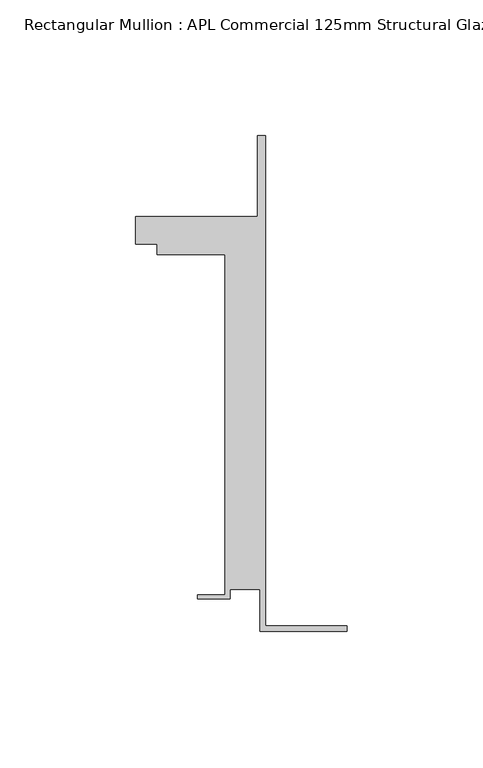
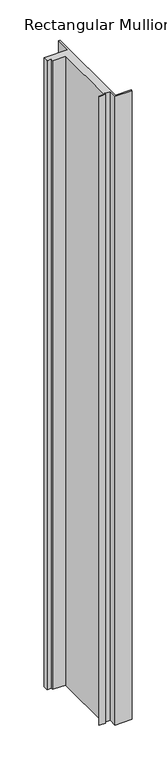
"""IFC4 building model written with IfcOpenShell, lengths in millimetres: member geometry, Rectangular Mullion : APL Commercial 125mm Structural Glaze SubSill."""

from ifc_helpers import new_model, si_unit, frame, origin, place, context, project, spatial, polyline, outline, extrude, source, transform, mapped, element, save


def rectangular_mullion_apl_commercial_125mm_structural_glaze_e35bb37c(model_context):
    return source(origin(), model_context, "Body", "SweptSolid", [
        extrude(outline(polyline([(-32.1465839, -41.25), (-32.1465839, -25.75), (-43.1465839, -25.75), (-43.1465839, -29.25), (-55.1465839, -29.25), (-55.1465839, -27.75), (-45.1465839, -27.75), (-45.1465839, 97.75), (-70.1466122, 97.75), (-70.1466122, 101.75), (-78.1466122, 101.75), (-78.1466122, 111.75), (-33.1466122, 111.75), (-33.1466122, 141.75), (-30.1465839, 141.75), (-30.1465839, -39.25), (0.0, -39.25), (0.0, -41.25), (-32.1465839, -41.25)])), frame((0.0, 0.0, -1253.6158022), z_axis=(0.0, 0.0, 1.0), x_axis=(1.0, 0.0, 0.0)), (0.0, 0.0, 1.0), 1253.6158022),
    ])


if __name__ == "__main__":
    model = new_model("IFC4")
    model_context = context("Model", 3, world=origin())
    ifc_project = project(units=[si_unit("LENGTHUNIT", "METRE", prefix="MILLI")], contexts=[model_context])
    site = spatial("IfcSite", under=ifc_project)
    building = spatial("IfcBuilding", under=site)
    placement = place(None, origin())
    rectangular_mullion_apl_commercial_125mm_structural_glaze_shape = rectangular_mullion_apl_commercial_125mm_structural_glaze_e35bb37c(model_context)
    element("IfcMember", 1, ObjectType="Rectangular Mullion : APL Commercial 125mm Structural Glaze SubSill", at=placement, inside=building, context=model_context, shape_type="MappedRepresentation", body=[
        mapped(rectangular_mullion_apl_commercial_125mm_structural_glaze_shape, transform((0.0, 0.0, 0.0), x_axis=(1.0, 0.0, 0.0), y_axis=(0.0, 1.0, 0.0), z_axis=(0.0, 0.0, 1.0))),
    ])
    save(model, "model.ifc")
